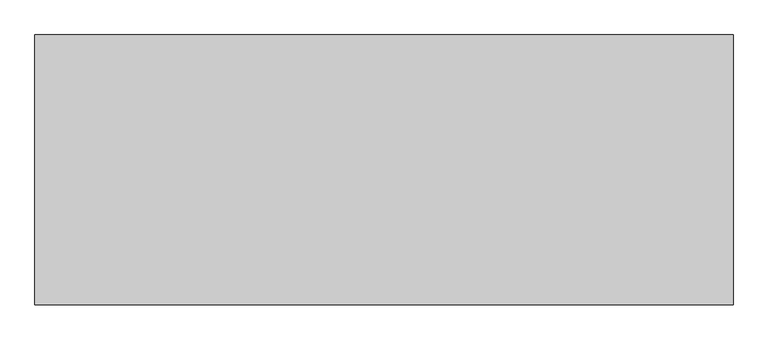
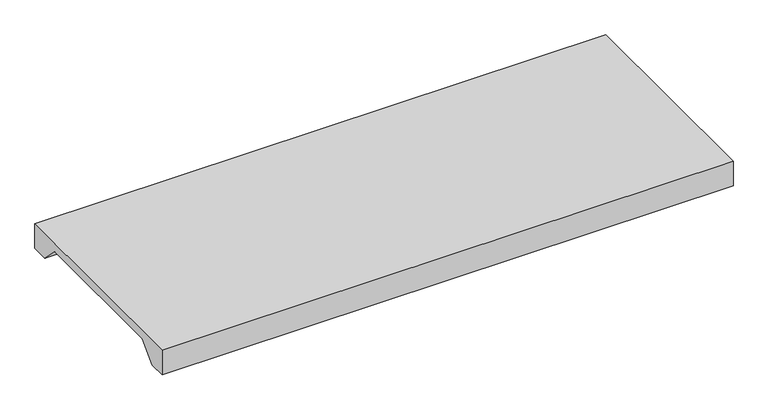
"""IFC4 building model written with IfcOpenShell, lengths in millimetres: proxy geometry."""

from ifc_helpers import new_model, si_unit, frame, origin, place, context, project, spatial, polyline, outline, extrude, source, transform, mapped, element, save


def generic_models_2a9fe7a5(model_context):
    return source(origin(), model_context, "Body", "SweptSolid", [
        extrude(outline(polyline([(323.85, 76.2), (323.85, 0.0), (273.05, 0.0), (222.25, 50.8), (-222.25, 50.8), (-273.05, 0.0), (-323.85, 0.0), (-323.85, 76.2), (323.85, 76.2)])), frame((0.0, 0.0, 0.0), z_axis=(1.0, 0.0, 0.0), x_axis=(0.0, 1.0, 0.0)), (0.0, 0.0, 1.0), 1676.4),
    ])


if __name__ == "__main__":
    model = new_model("IFC4")
    model_context = context("Model", 3, world=origin())
    ifc_project = project(units=[si_unit("LENGTHUNIT", "METRE", prefix="MILLI")], contexts=[model_context])
    site = spatial("IfcSite", under=ifc_project)
    building = spatial("IfcBuilding", under=site)
    placement = place(None, origin())
    generic_models_shape = generic_models_2a9fe7a5(model_context)
    element("IfcBuildingElementProxy", 1, Name="Generic Models", at=placement, inside=building, context=model_context, shape_type="MappedRepresentation", body=[
        mapped(generic_models_shape, transform((0.0, 0.0, 0.0), x_axis=(1.0, 0.0, 0.0), y_axis=(0.0, 1.0, 0.0), z_axis=(0.0, 0.0, 1.0))),
    ])
    save(model, "model.ifc")
